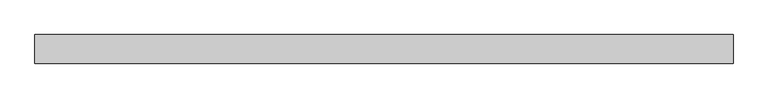
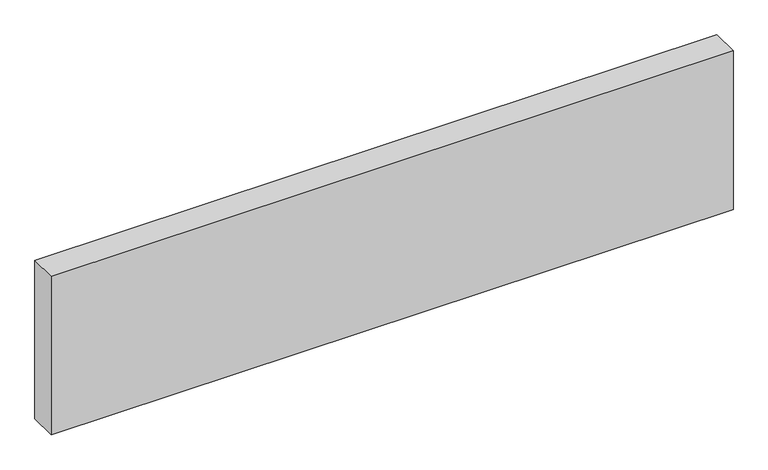
"""IFC4 building model written with IfcOpenShell, lengths in millimetres: plate geometry."""

from ifc_helpers import new_model, si_unit, origin, origin_with_axes, place, context, project, spatial, polyline, outline, extrude, source, transform, mapped, element, save


def plate_977e5dea(model_context):
    return source(origin(), model_context, "Body", "SweptSolid", [
        extrude(outline(polyline([(1219.8287614, 50.0), (1219.8287614, -50.0), (-1219.8287614, -50.0), (-1219.8287614, 50.0), (1219.8287614, 50.0)])), origin_with_axes(), (0.0, 0.0, 1.0), 600.0),
    ])


if __name__ == "__main__":
    model = new_model("IFC4")
    model_context = context("Model", 3, world=origin())
    ifc_project = project(units=[si_unit("LENGTHUNIT", "METRE", prefix="MILLI")], contexts=[model_context])
    site = spatial("IfcSite", under=ifc_project)
    building = spatial("IfcBuilding", under=site)
    placement = place(None, origin())
    plate_shape = plate_977e5dea(model_context)
    element("IfcPlate", 1, at=placement, inside=building, context=model_context, shape_type="MappedRepresentation", body=[
        mapped(plate_shape, transform((0.0, 0.0, 0.0), x_axis=(1.0, 0.0, 0.0), y_axis=(0.0, 1.0, 0.0), z_axis=(0.0, 0.0, 1.0))),
    ])
    save(model, "model.ifc")
